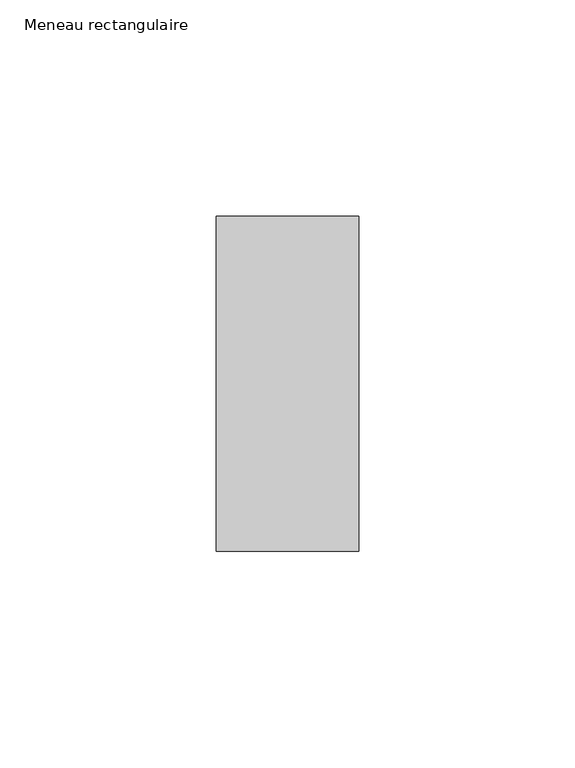
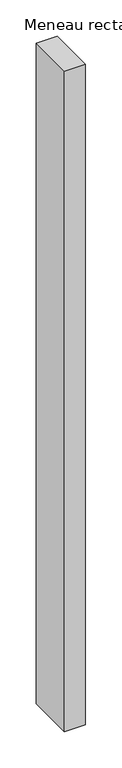
"""IFC4 building model written with IfcOpenShell, lengths in millimetres: member geometry, Meneau rectangulaire."""

import ifcopenshell
import ifcopenshell.guid

model = None  # the IFC model being written
_history = None  # IfcOwnerHistory: only IFC2X3 demands one
_inside = {}  # id of a spatial element -> (the spatial element, [elements in it])
_under = {}  # id of a project, library or spatial element -> (it, [spatial elements below it])
_declared = {}  # id of a project -> (the project, [libraries it declares])
_typed = {}  # id of a type object -> (the type object, [elements of that type])
_made_of = {}  # id of a material, layer set ... -> (it, [elements and type objects made of it])


def new_model(schema):
    """Start an empty IFC model of exactly this schema.

    Asked for "IFC4X3", IfcOpenShell would pick the latest addendum, in which some entities
    have other attributes; the version numbers below select the first issue.
    IFC2X3 requires an IfcOwnerHistory on every rooted entity: one is made here for all.
    """
    global model, _history
    if schema == "IFC4X3":
        model = ifcopenshell.file(schema_version=(4, 3, 0, 0))
    else:
        model = ifcopenshell.file(schema=schema)
    _inside.clear()
    _under.clear()
    _declared.clear()
    _typed.clear()
    _made_of.clear()
    _history = None
    if model.schema == "IFC2X3":
        org = make("IfcOrganization", Name="unknown")
        user = make(
            "IfcPersonAndOrganization",
            ThePerson=make("IfcPerson", FamilyName="unknown"),
            TheOrganization=org,
        )
        app = make(
            "IfcApplication",
            ApplicationDeveloper=org,
            Version="unknown",
            ApplicationFullName="unknown",
            ApplicationIdentifier="unknown",
        )
        _history = make(
            "IfcOwnerHistory",
            OwningUser=user,
            OwningApplication=app,
            ChangeAction="ADDED",
            CreationDate=0,
        )
    return model


def make(cls, **values):
    """One entity of the class cls with the attributes given. An attribute that is None is left unset."""
    return model.create_entity(
        cls, **{name: value for name, value in values.items() if value is not None}
    )


def rooted(cls, **values):
    """An entity with a GlobalId (a new one), such as an element, a storey or a relation."""
    return make(cls, GlobalId=ifcopenshell.guid.new(), OwnerHistory=_history, **values)


def si_unit(unit_type, name, prefix=None):
    """IfcSIUnit, for example si_unit("LENGTHUNIT", "METRE", prefix="MILLI")."""
    return make("IfcSIUnit", UnitType=unit_type, Prefix=prefix, Name=name)


def assignment(units):
    """IfcUnitAssignment: the units of a project."""
    return None if units is None else make("IfcUnitAssignment", Units=units)


def point(xyz):
    """IfcCartesianPoint."""
    return None if xyz is None else make("IfcCartesianPoint", Coordinates=xyz)


def direction(xyz):
    """IfcDirection."""
    return None if xyz is None else make("IfcDirection", DirectionRatios=xyz)


def frame(location, z_axis=None, x_axis=None):
    """IfcAxis2Placement3D, a coordinate frame: its origin and axes. An axis left out is left unset."""
    return make(
        "IfcAxis2Placement3D",
        Location=point(location),
        Axis=direction(z_axis),
        RefDirection=direction(x_axis),
    )


def origin():
    """The frame at (0, 0, 0) with its axes left unset."""
    return frame((0.0, 0.0, 0.0))


def place(relative_to, where):
    """IfcLocalPlacement: puts the frame where relative to a parent placement (None: the world)."""
    return make(
        "IfcLocalPlacement", PlacementRelTo=relative_to, RelativePlacement=where
    )


def context(
    kind, dimensions, precision=None, world=None, true_north=None, identifier=None
):
    """IfcGeometricRepresentationContext, for example the 3D "Model" context."""
    return make(
        "IfcGeometricRepresentationContext",
        ContextIdentifier=identifier,
        ContextType=kind,
        CoordinateSpaceDimension=dimensions,
        Precision=precision,
        WorldCoordinateSystem=world,
        TrueNorth=true_north,
    )


def project(units=None, contexts=None):
    """IfcProject with its units and contexts."""
    return rooted(
        "IfcProject",
        Name="project",
        RepresentationContexts=contexts,
        UnitsInContext=assignment(units),
    )


def spatial(cls, under=None, at=None, **own):
    """A site, building, storey or space (cls), placed at a placement, below another one or the project."""
    s = rooted(cls, ObjectPlacement=at, **own)
    if under is not None:
        _under.setdefault(under.id(), (under, []))[1].append(s)
    return s


def polyline(points):
    """IfcPolyline through the points."""
    return make("IfcPolyline", Points=[point(p) for p in points])


def outline(outer, holes=None, kind="AREA"):
    """IfcArbitraryClosedProfileDef: a profile drawn as a closed curve; with holes, ...WithVoids."""
    if holes is None:
        return make("IfcArbitraryClosedProfileDef", ProfileType=kind, OuterCurve=outer)
    return make(
        "IfcArbitraryProfileDefWithVoids",
        ProfileType=kind,
        OuterCurve=outer,
        InnerCurves=holes,
    )


def extrude(swept, where, along, depth):
    """IfcExtrudedAreaSolid: the profile swept, set in the frame where, extruded along a direction by depth."""
    return make(
        "IfcExtrudedAreaSolid",
        SweptArea=swept,
        Position=where,
        ExtrudedDirection=direction(along),
        Depth=depth,
    )


def shape(context_of_items, identifier, shape_type, items):
    """IfcShapeRepresentation: the items that make up one representation, for example the "Body"."""
    return make(
        "IfcShapeRepresentation",
        ContextOfItems=context_of_items,
        RepresentationIdentifier=identifier,
        RepresentationType=shape_type,
        Items=items,
    )


def source(mapping_origin, context_of_items, identifier, shape_type, items):
    """IfcRepresentationMap: a shape defined once, which mapped items show again and again."""
    return make(
        "IfcRepresentationMap",
        MappingOrigin=mapping_origin,
        MappedRepresentation=shape(context_of_items, identifier, shape_type, items),
    )


def transform(
    local_origin,
    x_axis=None,
    y_axis=None,
    z_axis=None,
    scale=None,
    scale2=None,
    scale3=None,
    uniform=True,
):
    """IfcCartesianTransformationOperator3D, or its non-uniform kind. x_axis, y_axis, z_axis: its Axis1, 2, 3."""
    if uniform:
        return make(
            "IfcCartesianTransformationOperator3D",
            Axis1=direction(x_axis),
            Axis2=direction(y_axis),
            LocalOrigin=point(local_origin),
            Scale=scale,
            Axis3=direction(z_axis),
        )
    return make(
        "IfcCartesianTransformationOperator3DnonUniform",
        Axis1=direction(x_axis),
        Axis2=direction(y_axis),
        LocalOrigin=point(local_origin),
        Scale=scale,
        Axis3=direction(z_axis),
        Scale2=scale2,
        Scale3=scale3,
    )


def mapped(mapping_source, mapping_target):
    """IfcMappedItem: shows the shape of a source again, moved by a transform."""
    return make(
        "IfcMappedItem", MappingSource=mapping_source, MappingTarget=mapping_target
    )


def made_of(thing, what):
    """Note that an element or type object is made of a material, layer set ...; save() writes the relation."""
    if what is not None:
        _made_of.setdefault(what.id(), (what, []))[1].append(thing)
    return thing


def element(
    cls,
    number,
    at=None,
    inside=None,
    cuts=None,
    type_object=None,
    material=None,
    context=None,
    identifier="Body",
    shape_type=None,
    held_by="IfcProductDefinitionShape",
    body=None,
    shapes=None,
    **own,
):
    """One element of the class cls, such as IfcWall. Its Tag is "e" and its number.

    at: its placement. inside: the storey or other place that contains it. cuts: it is an
    opening in that element (IfcRelVoidsElement). A single representation is given by context,
    identifier, shape_type and body (its items); several are given by shapes. held_by: the class
    of the entity that holds the representations. save() writes the other relations.
    """
    e = rooted(cls, Tag="e%d" % number, ObjectPlacement=at, **own)
    if body is not None:
        shapes = [shape(context, identifier, shape_type, body)]
    if shapes is not None:
        e.Representation = make(held_by, Representations=shapes)
    if inside is not None:
        _inside.setdefault(inside.id(), (inside, []))[1].append(e)
    if cuts is not None:
        rooted(
            "IfcRelVoidsElement", RelatingBuildingElement=cuts, RelatedOpeningElement=e
        )
    if type_object is not None:
        _typed.setdefault(type_object.id(), (type_object, []))[1].append(e)
    return made_of(e, material)


def aggregate(whole, parts):
    """IfcRelAggregates: a whole, such as a stair, and the parts it consists of."""
    return rooted("IfcRelAggregates", RelatingObject=whole, RelatedObjects=parts)


def save(model, path):
    """Write the relations noted so far, then the file.

    IfcRelAggregates (storeys below a building ...), IfcRelContainedInSpatialStructure (elements
    in a storey), IfcRelDefinesByType, IfcRelAssociatesMaterial and IfcRelDeclares: one each for
    every whole, place, type object, material and project.
    """
    for whole, parts in _under.values():
        aggregate(whole, parts)
    for where, things in _inside.values():
        rooted(
            "IfcRelContainedInSpatialStructure",
            RelatedElements=things,
            RelatingStructure=where,
        )
    for kind, things in _typed.values():
        rooted("IfcRelDefinesByType", RelatedObjects=things, RelatingType=kind)
    for what, things in _made_of.values():
        rooted("IfcRelAssociatesMaterial", RelatedObjects=things, RelatingMaterial=what)
    for by, libraries in _declared.values():
        rooted("IfcRelDeclares", RelatingContext=by, RelatedDefinitions=libraries)
    model.write(path)


def meneau_rectangulaire_69e81753(model_context):
    return source(origin(), model_context, "Body", "SweptSolid", [
        extrude(outline(polyline([(0.0, 38.75), (0.0, -38.75), (-33.0, -38.75), (-33.0, 38.75), (0.0, 38.75)])), frame((0.0, 0.0, -1109.8749998), z_axis=(0.0, 0.0, 1.0), x_axis=(1.0, 0.0, 0.0)), (0.0, 0.0, 1.0), 1109.8749998),
    ])


if __name__ == "__main__":
    model = new_model("IFC4")
    model_context = context("Model", 3, world=origin())
    ifc_project = project(units=[si_unit("LENGTHUNIT", "METRE", prefix="MILLI")], contexts=[model_context])
    site = spatial("IfcSite", under=ifc_project)
    building = spatial("IfcBuilding", under=site)
    placement = place(None, origin())
    meneau_rectangulaire_shape = meneau_rectangulaire_69e81753(model_context)
    element("IfcMember", 1, ObjectType="Meneau rectangulaire", at=placement, inside=building, context=model_context, shape_type="MappedRepresentation", body=[
        mapped(meneau_rectangulaire_shape, transform((0.0, 0.0, 0.0), x_axis=(1.0, 0.0, 0.0), y_axis=(0.0, 1.0, 0.0), z_axis=(0.0, 0.0, 1.0))),
    ])
    save(model, "model.ifc")
